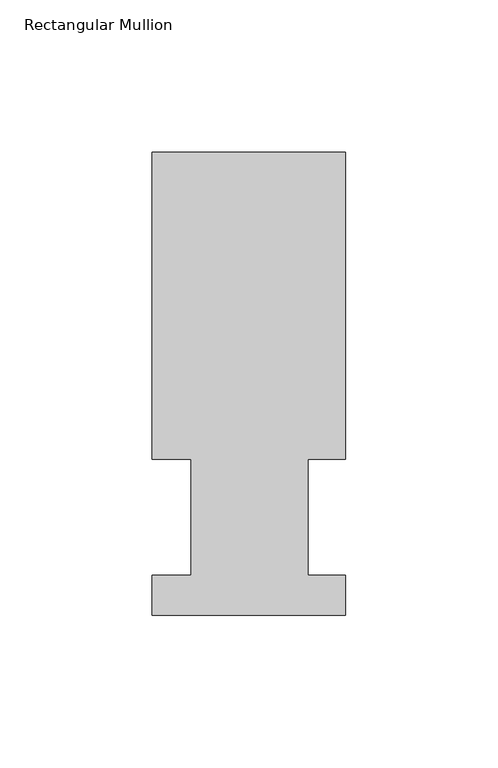
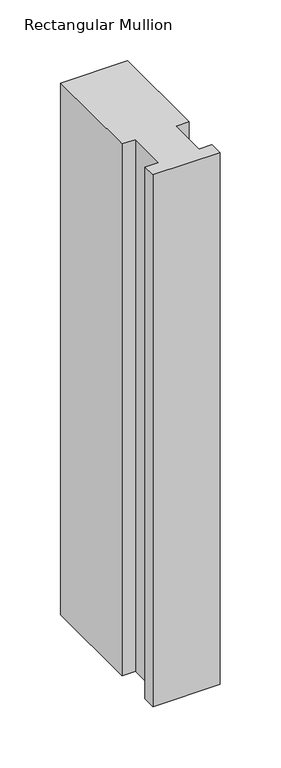
"""IFC4 building model written with IfcOpenShell, lengths in millimetres: member geometry, Rectangular Mullion."""

from ifc_helpers import new_model, si_unit, frame, origin, place, context, project, spatial, polyline, outline, extrude, source, transform, mapped, element, save


def rectangular_mullion_80f691db(model_context):
    return source(origin(), model_context, "Body", "SweptSolid", [
        extrude(outline(polyline([(0.0, 151.9816937), (0.0, 51.2960938), (-12.3418395, 51.2960937), (-12.3418395, 13.1960937), (0.0, 13.1960937), (0.0, 0.0134937), (-63.5, 0.0134937), (-63.5, 13.1960937), (-50.8, 13.1960937), (-50.8, 51.2960938), (-63.5, 51.2960938), (-63.5, 151.9816937), (0.0, 151.9816937)])), frame((0.0, 0.0, -533.4), z_axis=(0.0, 0.0, 1.0), x_axis=(1.0, 0.0, 0.0)), (0.0, 0.0, 1.0), 533.4),
    ])


if __name__ == "__main__":
    model = new_model("IFC4")
    model_context = context("Model", 3, world=origin())
    ifc_project = project(units=[si_unit("LENGTHUNIT", "METRE", prefix="MILLI")], contexts=[model_context])
    site = spatial("IfcSite", under=ifc_project)
    building = spatial("IfcBuilding", under=site)
    placement = place(None, origin())
    rectangular_mullion_shape = rectangular_mullion_80f691db(model_context)
    element("IfcMember", 1, ObjectType="Rectangular Mullion", at=placement, inside=building, context=model_context, shape_type="MappedRepresentation", body=[
        mapped(rectangular_mullion_shape, transform((0.0, 0.0, 0.0), x_axis=(1.0, 0.0, 0.0), y_axis=(0.0, 1.0, 0.0), z_axis=(0.0, 0.0, 1.0))),
    ])
    save(model, "model.ifc")
